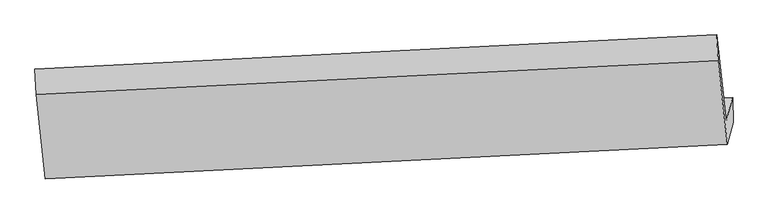
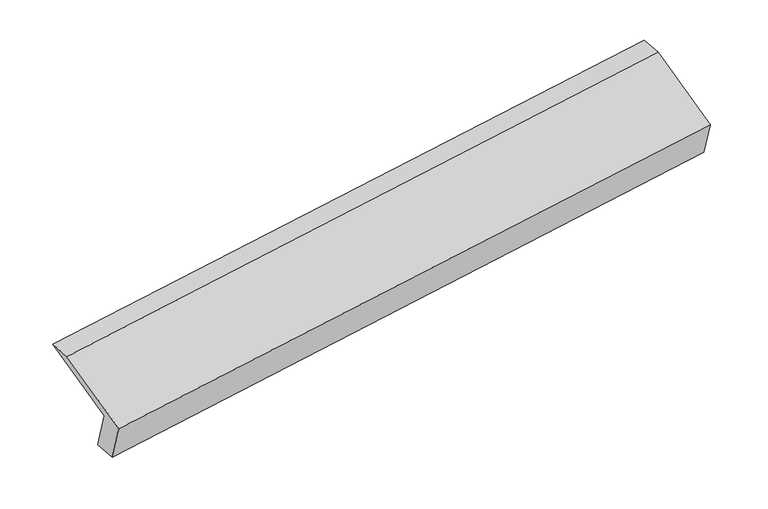
"""IFC4 building model written with IfcOpenShell, lengths in millimetres: proxy geometry."""

from ifc_helpers import new_model, si_unit, frame, origin, place, context, project, spatial, source, transform, mapped, element, save
from ifc_brep_helpers import plane_surface, spline_surface, advanced_brep


def generic_models_fef24fb3(model_context):
    return source(origin(), model_context, "Body", "AdvancedBrep", [
        advanced_brep(
        [(-5219.1708044, -1623.0188179, 1253.5099702), (-5260.2715486, -1782.97246, 1604.2251645), (-452.8985267, -1558.9939984, 2302.9185825), (-409.6772963, -1390.7879631, 1934.1091475), (-5210.4808305, -1807.4265381, 1256.164237), (-406.1871173, -1569.3821573, 1971.9651905), (-5251.4733734, -1966.9590885, 1605.9561434), (-446.1194171, -1724.788511, 2312.7099766), (-5317.453492, -1372.4672605, 1869.3587635), (-512.0995357, -1130.296683, 2576.1125967), (-5325.8765883, -1191.860155, 1866.130413), (-520.522632, -949.6895775, 2572.8842462)],
        [
            (0, 1),
            (1, 2),
            (2, 3),
            (3, 0),
            (4, 0),
            (3, 5),
            (5, 4),
            (6, 4),
            (5, 7),
            (7, 6),
            (8, 6),
            (7, 9),
            (9, 8),
            (10, 8),
            (9, 11),
            (11, 10),
            (1, 10),
            (11, 2),
        ],
        [
            plane_surface(frame((-5239.7211765, -1702.9956389, 1428.8675674), z_axis=(-0.10095327697336429, 0.9096057944138424, 0.40302076204223275), x_axis=(-0.10602431360461187, -0.41261966081910906, 0.9047120317704381))),
            spline_surface(1, 1, [[(-5210.4808305, -1807.4265381, 1256.164237), (-406.1871173, -1569.3821573, 1971.9651905)], [(-5219.1708044, -1623.0188179, 1253.5099702), (-409.6772963, -1390.7879631, 1934.1091475)]], [2, 2], [2, 2], [0.0, 1.0], [0.0, 1.0]),
            plane_surface(frame((-5230.9771019, -1887.1928133, 1431.0601902), z_axis=(0.1050208072328268, -0.9093982097141734, -0.40244940826993647), x_axis=(0.10602431360461176, 0.41261966081910934, -0.9047120317704381))),
            plane_surface(frame((-5284.4634327, -1669.7131745, 1737.6574535), z_axis=(-0.11212480768482724, -0.4129116442005118, 0.9038429075814396), x_axis=(0.10095327697336676, -0.9096057944138416, -0.4030207620422339))),
            plane_surface(frame((-5321.6650401, -1282.1637077, 1867.7445883), z_axis=(-0.14603859913690653, 0.010871382882191128, 0.9892191570103963), x_axis=(0.04657961716785789, -0.9987550345358623, 0.017852737990694964))),
            plane_surface(frame((-5293.0740684, -1487.4163075, 1735.1777888), z_axis=(0.11212480768482788, 0.41291164420050874, -0.9038429075814408), x_axis=(-0.10095327697336837, 0.9096057944138428, 0.4030207620422306))),
            plane_surface(frame((-457.9174208, -1387.3231484, 2278.4499567), z_axis=(0.9892255965112355, 0.048603644660523006, 0.13809563690683335), x_axis=(0.10095327697336676, -0.9096057944138416, -0.4030207620422339))),
            plane_surface(frame((-5264.1211062, -1624.1173867, 1575.890782), z_axis=(-0.9892255965112349, -0.04860364466053008, -0.1380956369068364), x_axis=(0.10602431360461168, 0.4126196608191094, -0.9047120317704381))),
        ],
        [
            (0, [[1, 2, 3, 4]]),
            (1, [[5, -4, 6, 7]]),
            (2, [[8, -7, 9, 10]]),
            (3, [[11, -10, 12, 13]]),
            (4, [[14, -13, 15, 16]]),
            (5, [[17, -16, 18, -2]]),
            (6, [[-12, -9, -6, -3, -18, -15]]),
            (7, [[-1, -5, -8, -11, -14, -17]]),
        ],
    ),
    ])


if __name__ == "__main__":
    model = new_model("IFC4")
    model_context = context("Model", 3, world=origin())
    ifc_project = project(units=[si_unit("LENGTHUNIT", "METRE", prefix="MILLI")], contexts=[model_context])
    site = spatial("IfcSite", under=ifc_project)
    building = spatial("IfcBuilding", under=site)
    placement = place(None, origin())
    generic_models_shape = generic_models_fef24fb3(model_context)
    element("IfcBuildingElementProxy", 1, Name="Generic Models", at=placement, inside=building, context=model_context, shape_type="MappedRepresentation", body=[
        mapped(generic_models_shape, transform((0.0, 0.0, 0.0), x_axis=(1.0, 0.0, 0.0), y_axis=(0.0, 1.0, 0.0), z_axis=(0.0, 0.0, 1.0))),
    ])
    save(model, "model.ifc")
